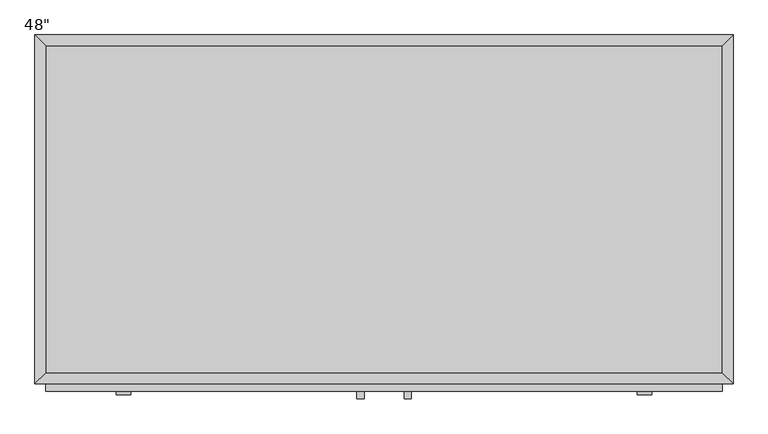
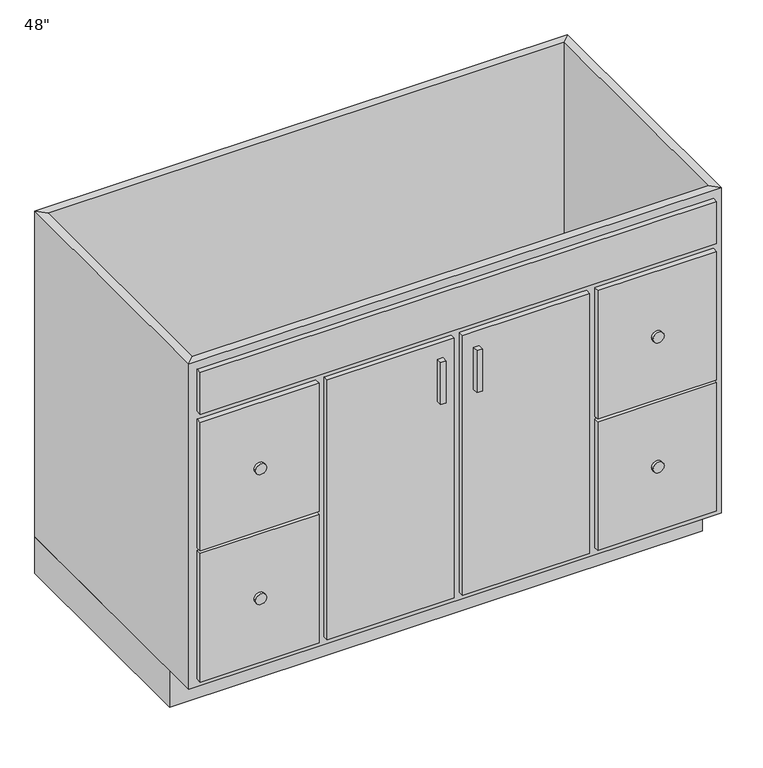
"""IFC4 building model written with IfcOpenShell, lengths in millimetres: furniture geometry."""

import ifcopenshell
import ifcopenshell.guid

model = None  # the IFC model being written
_history = None  # IfcOwnerHistory: only IFC2X3 demands one
_inside = {}  # id of a spatial element -> (the spatial element, [elements in it])
_under = {}  # id of a project, library or spatial element -> (it, [spatial elements below it])
_declared = {}  # id of a project -> (the project, [libraries it declares])
_typed = {}  # id of a type object -> (the type object, [elements of that type])
_made_of = {}  # id of a material, layer set ... -> (it, [elements and type objects made of it])


def new_model(schema):
    """Start an empty IFC model of exactly this schema.

    Asked for "IFC4X3", IfcOpenShell would pick the latest addendum, in which some entities
    have other attributes; the version numbers below select the first issue.
    IFC2X3 requires an IfcOwnerHistory on every rooted entity: one is made here for all.
    """
    global model, _history
    if schema == "IFC4X3":
        model = ifcopenshell.file(schema_version=(4, 3, 0, 0))
    else:
        model = ifcopenshell.file(schema=schema)
    _inside.clear()
    _under.clear()
    _declared.clear()
    _typed.clear()
    _made_of.clear()
    _history = None
    if model.schema == "IFC2X3":
        org = make("IfcOrganization", Name="unknown")
        user = make(
            "IfcPersonAndOrganization",
            ThePerson=make("IfcPerson", FamilyName="unknown"),
            TheOrganization=org,
        )
        app = make(
            "IfcApplication",
            ApplicationDeveloper=org,
            Version="unknown",
            ApplicationFullName="unknown",
            ApplicationIdentifier="unknown",
        )
        _history = make(
            "IfcOwnerHistory",
            OwningUser=user,
            OwningApplication=app,
            ChangeAction="ADDED",
            CreationDate=0,
        )
    return model


def make(cls, **values):
    """One entity of the class cls with the attributes given. An attribute that is None is left unset."""
    return model.create_entity(
        cls, **{name: value for name, value in values.items() if value is not None}
    )


def rooted(cls, **values):
    """An entity with a GlobalId (a new one), such as an element, a storey or a relation."""
    return make(cls, GlobalId=ifcopenshell.guid.new(), OwnerHistory=_history, **values)


def si_unit(unit_type, name, prefix=None):
    """IfcSIUnit, for example si_unit("LENGTHUNIT", "METRE", prefix="MILLI")."""
    return make("IfcSIUnit", UnitType=unit_type, Prefix=prefix, Name=name)


def assignment(units):
    """IfcUnitAssignment: the units of a project."""
    return None if units is None else make("IfcUnitAssignment", Units=units)


def point(xyz):
    """IfcCartesianPoint."""
    return None if xyz is None else make("IfcCartesianPoint", Coordinates=xyz)


def direction(xyz):
    """IfcDirection."""
    return None if xyz is None else make("IfcDirection", DirectionRatios=xyz)


def frame(location, z_axis=None, x_axis=None):
    """IfcAxis2Placement3D, a coordinate frame: its origin and axes. An axis left out is left unset."""
    return make(
        "IfcAxis2Placement3D",
        Location=point(location),
        Axis=direction(z_axis),
        RefDirection=direction(x_axis),
    )


def frame_2d(location, x_axis=None):
    """IfcAxis2Placement2D, a coordinate frame in the plane: its origin and x axis."""
    return make(
        "IfcAxis2Placement2D", Location=point(location), RefDirection=direction(x_axis)
    )


def origin():
    """The frame at (0, 0, 0) with its axes left unset."""
    return frame((0.0, 0.0, 0.0))


def origin_with_axes():
    """The frame at (0, 0, 0) with the z axis (0, 0, 1) and the x axis (1, 0, 0) written out."""
    return frame((0.0, 0.0, 0.0), z_axis=(0.0, 0.0, 1.0), x_axis=(1.0, 0.0, 0.0))


def place(relative_to, where):
    """IfcLocalPlacement: puts the frame where relative to a parent placement (None: the world)."""
    return make(
        "IfcLocalPlacement", PlacementRelTo=relative_to, RelativePlacement=where
    )


def context(
    kind, dimensions, precision=None, world=None, true_north=None, identifier=None
):
    """IfcGeometricRepresentationContext, for example the 3D "Model" context."""
    return make(
        "IfcGeometricRepresentationContext",
        ContextIdentifier=identifier,
        ContextType=kind,
        CoordinateSpaceDimension=dimensions,
        Precision=precision,
        WorldCoordinateSystem=world,
        TrueNorth=true_north,
    )


def project(units=None, contexts=None):
    """IfcProject with its units and contexts."""
    return rooted(
        "IfcProject",
        Name="project",
        RepresentationContexts=contexts,
        UnitsInContext=assignment(units),
    )


def spatial(cls, under=None, at=None, **own):
    """A site, building, storey or space (cls), placed at a placement, below another one or the project."""
    s = rooted(cls, ObjectPlacement=at, **own)
    if under is not None:
        _under.setdefault(under.id(), (under, []))[1].append(s)
    return s


def polyline(points):
    """IfcPolyline through the points."""
    return make("IfcPolyline", Points=[point(p) for p in points])


def circle_curve(where, radius):
    """IfcCircle in the frame where."""
    return make("IfcCircle", Position=where, Radius=radius)


def trimmed(basis, trim1, trim2, sense, master):
    """IfcTrimmedCurve: the piece of a basis curve between two trims."""
    return make(
        "IfcTrimmedCurve",
        BasisCurve=basis,
        Trim1=trim1,
        Trim2=trim2,
        SenseAgreement=sense,
        MasterRepresentation=master,
    )


def segment(curve, same_sense, transition):
    """IfcCompositeCurveSegment."""
    return make(
        "IfcCompositeCurveSegment",
        Transition=transition,
        SameSense=same_sense,
        ParentCurve=curve,
    )


def composite_curve(segments, self_intersect=None):
    """IfcCompositeCurve: segments joined end to end."""
    return make("IfcCompositeCurve", Segments=segments, SelfIntersect=self_intersect)


def outline(outer, holes=None, kind="AREA"):
    """IfcArbitraryClosedProfileDef: a profile drawn as a closed curve; with holes, ...WithVoids."""
    if holes is None:
        return make("IfcArbitraryClosedProfileDef", ProfileType=kind, OuterCurve=outer)
    return make(
        "IfcArbitraryProfileDefWithVoids",
        ProfileType=kind,
        OuterCurve=outer,
        InnerCurves=holes,
    )


def extrude(swept, where, along, depth):
    """IfcExtrudedAreaSolid: the profile swept, set in the frame where, extruded along a direction by depth."""
    return make(
        "IfcExtrudedAreaSolid",
        SweptArea=swept,
        Position=where,
        ExtrudedDirection=direction(along),
        Depth=depth,
    )


def faces_of(points, faces, orient=None, outer=None):
    """IfcFace entities. A face is a list of loops; a loop is a list of indices into points, from 0.

    orient and outer hold one flag for each loop. By default every Orientation is true, the
    first loop of a face is its IfcFaceOuterBound and the others are IfcFaceBound.
    """
    made = []
    for i, loops in enumerate(faces):
        bounds = []
        for j, loop in enumerate(loops):
            is_outer = j == 0 if outer is None else outer[i][j]
            bounds.append(
                make(
                    "IfcFaceOuterBound" if is_outer else "IfcFaceBound",
                    Bound=make("IfcPolyLoop", Polygon=[points[k] for k in loop]),
                    Orientation=True if orient is None else orient[i][j],
                )
            )
        made.append(make("IfcFace", Bounds=bounds))
    return made


def faceted_brep(points, faces, orient=None, outer=None, voids=None):
    """IfcFacetedBrep: a solid bounded by flat faces; with voids (closed shells), ...WithVoids."""
    shared = [point(p) for p in points]
    hull = make("IfcClosedShell", CfsFaces=faces_of(shared, faces, orient, outer))
    if voids is None:
        return make("IfcFacetedBrep", Outer=hull)
    return make(
        "IfcFacetedBrepWithVoids",
        Outer=hull,
        Voids=[
            make(cls, CfsFaces=faces_of(shared, fs, o, b)) for cls, fs, o, b in voids
        ],
    )


def shape(context_of_items, identifier, shape_type, items):
    """IfcShapeRepresentation: the items that make up one representation, for example the "Body"."""
    return make(
        "IfcShapeRepresentation",
        ContextOfItems=context_of_items,
        RepresentationIdentifier=identifier,
        RepresentationType=shape_type,
        Items=items,
    )


def source(mapping_origin, context_of_items, identifier, shape_type, items):
    """IfcRepresentationMap: a shape defined once, which mapped items show again and again."""
    return make(
        "IfcRepresentationMap",
        MappingOrigin=mapping_origin,
        MappedRepresentation=shape(context_of_items, identifier, shape_type, items),
    )


def transform(
    local_origin,
    x_axis=None,
    y_axis=None,
    z_axis=None,
    scale=None,
    scale2=None,
    scale3=None,
    uniform=True,
):
    """IfcCartesianTransformationOperator3D, or its non-uniform kind. x_axis, y_axis, z_axis: its Axis1, 2, 3."""
    if uniform:
        return make(
            "IfcCartesianTransformationOperator3D",
            Axis1=direction(x_axis),
            Axis2=direction(y_axis),
            LocalOrigin=point(local_origin),
            Scale=scale,
            Axis3=direction(z_axis),
        )
    return make(
        "IfcCartesianTransformationOperator3DnonUniform",
        Axis1=direction(x_axis),
        Axis2=direction(y_axis),
        LocalOrigin=point(local_origin),
        Scale=scale,
        Axis3=direction(z_axis),
        Scale2=scale2,
        Scale3=scale3,
    )


def mapped(mapping_source, mapping_target):
    """IfcMappedItem: shows the shape of a source again, moved by a transform."""
    return make(
        "IfcMappedItem", MappingSource=mapping_source, MappingTarget=mapping_target
    )


def made_of(thing, what):
    """Note that an element or type object is made of a material, layer set ...; save() writes the relation."""
    if what is not None:
        _made_of.setdefault(what.id(), (what, []))[1].append(thing)
    return thing


def element(
    cls,
    number,
    at=None,
    inside=None,
    cuts=None,
    type_object=None,
    material=None,
    context=None,
    identifier="Body",
    shape_type=None,
    held_by="IfcProductDefinitionShape",
    body=None,
    shapes=None,
    **own,
):
    """One element of the class cls, such as IfcWall. Its Tag is "e" and its number.

    at: its placement. inside: the storey or other place that contains it. cuts: it is an
    opening in that element (IfcRelVoidsElement). A single representation is given by context,
    identifier, shape_type and body (its items); several are given by shapes. held_by: the class
    of the entity that holds the representations. save() writes the other relations.
    """
    e = rooted(cls, Tag="e%d" % number, ObjectPlacement=at, **own)
    if body is not None:
        shapes = [shape(context, identifier, shape_type, body)]
    if shapes is not None:
        e.Representation = make(held_by, Representations=shapes)
    if inside is not None:
        _inside.setdefault(inside.id(), (inside, []))[1].append(e)
    if cuts is not None:
        rooted(
            "IfcRelVoidsElement", RelatingBuildingElement=cuts, RelatedOpeningElement=e
        )
    if type_object is not None:
        _typed.setdefault(type_object.id(), (type_object, []))[1].append(e)
    return made_of(e, material)


def aggregate(whole, parts):
    """IfcRelAggregates: a whole, such as a stair, and the parts it consists of."""
    return rooted("IfcRelAggregates", RelatingObject=whole, RelatedObjects=parts)


def save(model, path):
    """Write the relations noted so far, then the file.

    IfcRelAggregates (storeys below a building ...), IfcRelContainedInSpatialStructure (elements
    in a storey), IfcRelDefinesByType, IfcRelAssociatesMaterial and IfcRelDeclares: one each for
    every whole, place, type object, material and project.
    """
    for whole, parts in _under.values():
        aggregate(whole, parts)
    for where, things in _inside.values():
        rooted(
            "IfcRelContainedInSpatialStructure",
            RelatedElements=things,
            RelatingStructure=where,
        )
    for kind, things in _typed.values():
        rooted("IfcRelDefinesByType", RelatedObjects=things, RelatingType=kind)
    for what, things in _made_of.values():
        rooted("IfcRelAssociatesMaterial", RelatedObjects=things, RelatingMaterial=what)
    for by, libraries in _declared.values():
        rooted("IfcRelDeclares", RelatingContext=by, RelatedDefinitions=libraries)
    model.write(path)


def furniture_b041c736(model_context):
    return source(origin(), model_context, "Body", "SolidModel", [
        extrude(outline(polyline([(55.91996, -635.0), (43.21996, -635.0), (43.21996, -622.3), (55.91996, -622.3), (55.91996, -635.0)])), frame((0.0, 0.0, 596.9), z_axis=(0.0, 0.0, 1.0), x_axis=(1.0, 0.0, 0.0)), (0.0, 0.0, 1.0), 101.6),
        extrude(outline(polyline([(138.46996, -635.0), (125.76996, -635.0), (125.76996, -622.3), (138.46996, -622.3), (138.46996, -635.0)])), frame((0.0, 0.0, 596.9), z_axis=(0.0, 0.0, 1.0), x_axis=(1.0, 0.0, 0.0)), (0.0, 0.0, 1.0), 101.6),
        extrude(outline(composite_curve([segment(trimmed(circle_curve(frame_2d((579.4375, -363.97379)), 12.7), [point((579.4375, -376.67379))], [point((579.4375, -351.27379))], False, "CARTESIAN"), True, "CONTINUOUS"), segment(trimmed(circle_curve(frame_2d((579.4375, -363.97379)), 12.7), [point((579.4375, -351.27379))], [point((579.4375, -376.67379))], False, "CARTESIAN"), True, "CONTINUOUS")], self_intersect=False)), frame((0.0, -628.65, 0.0), z_axis=(0.0, 1.0, 0.0), x_axis=(0.0, 0.0, 1.0)), (0.0, 0.0, 1.0), 6.35),
        extrude(outline(composite_curve([segment(trimmed(circle_curve(frame_2d((265.1125, -363.97379)), 12.7), [point((265.1125, -376.67379))], [point((265.1125, -351.27379))], False, "CARTESIAN"), True, "CONTINUOUS"), segment(trimmed(circle_curve(frame_2d((265.1125, -363.97379)), 12.7), [point((265.1125, -351.27379))], [point((265.1125, -376.67379))], False, "CARTESIAN"), True, "CONTINUOUS")], self_intersect=False)), frame((0.0, -628.65, 0.0), z_axis=(0.0, 1.0, 0.0), x_axis=(0.0, 0.0, 1.0)), (0.0, 0.0, 1.0), 6.35),
        extrude(outline(composite_curve([segment(trimmed(circle_curve(frame_2d((265.1125, 545.66371)), 12.7), [point((265.1125, 532.96371))], [point((265.1125, 558.36371))], False, "CARTESIAN"), True, "CONTINUOUS"), segment(trimmed(circle_curve(frame_2d((265.1125, 545.66371)), 12.7), [point((265.1125, 558.36371))], [point((265.1125, 532.96371))], False, "CARTESIAN"), True, "CONTINUOUS")], self_intersect=False)), frame((0.0, -628.65, 0.0), z_axis=(0.0, 1.0, 0.0), x_axis=(0.0, 0.0, 1.0)), (0.0, 0.0, 1.0), 6.35),
        extrude(outline(composite_curve([segment(trimmed(circle_curve(frame_2d((579.4375, 545.66371)), 12.7), [point((579.4375, 532.96371))], [point((579.4375, 558.36371))], False, "CARTESIAN"), True, "CONTINUOUS"), segment(trimmed(circle_curve(frame_2d((579.4375, 545.66371)), 12.7), [point((579.4375, 558.36371))], [point((579.4375, 532.96371))], False, "CARTESIAN"), True, "CONTINUOUS")], self_intersect=False)), frame((0.0, -628.65, 0.0), z_axis=(0.0, 1.0, 0.0), x_axis=(0.0, 0.0, 1.0)), (0.0, 0.0, 1.0), 6.35),
        extrude(outline(polyline([(681.39496, -19.05), (681.39496, -590.55), (-499.70504, -590.55), (-499.70504, -19.05), (681.39496, -19.05)])), frame((0.0, 0.0, 88.9), z_axis=(0.0, 0.0, 1.0), x_axis=(1.0, 0.0, 0.0)), (0.0, 0.0, 1.0), 19.05),
        faceted_brep([(681.39496, -590.55, 876.3), (681.39496, -590.55, 88.9), (-499.70504, -590.55, 88.9), (-499.70504, -590.55, 876.3), (700.44496, -609.6, 876.3), (-518.75504, -609.6, 876.3), (700.44496, -609.6, 88.9), (-518.75504, -609.6, 88.9), (-499.70504, -19.05, 88.9), (-499.70504, -19.05, 876.3), (-518.75504, 0.0, 876.3), (-518.75504, 0.0, 88.9), (681.39496, -19.05, 88.9), (681.39496, -19.05, 876.3), (700.44496, 0.0, 876.3), (700.44496, 0.0, 88.9)], [[[0, 1, 2, 3]], [[4, 0, 3, 5]], [[6, 4, 5, 7]], [[1, 6, 7, 2]], [[3, 2, 8, 9]], [[5, 3, 9, 10]], [[7, 5, 10, 11]], [[2, 7, 11, 8]], [[9, 8, 12, 13]], [[10, 9, 13, 14]], [[11, 10, 14, 15]], [[8, 11, 15, 12]], [[13, 12, 1, 0]], [[14, 13, 0, 4]], [[15, 14, 4, 6]], [[12, 15, 6, 1]]]),
        extrude(outline(polyline([(700.44496, 0.0), (700.44496, -533.4), (-518.75504, -533.4), (-518.75504, 0.0), (700.44496, 0.0)])), origin_with_axes(), (0.0, 0.0, 1.0), 88.9),
        extrude(outline(polyline([(681.39496, -622.3), (-499.70504, -622.3), (-499.70504, -609.6), (681.39496, -609.6), (681.39496, -622.3)])), frame((0.0, 0.0, 755.65), z_axis=(0.0, 0.0, 1.0), x_axis=(1.0, 0.0, 0.0)), (0.0, 0.0, 1.0), 101.6),
        extrude(outline(polyline([(681.39496, -622.3), (409.93246, -622.3), (409.93246, -609.6), (681.39496, -609.6), (681.39496, -622.3)])), frame((0.0, 0.0, 425.45), z_axis=(0.0, 0.0, 1.0), x_axis=(1.0, 0.0, 0.0)), (0.0, 0.0, 1.0), 311.15),
        extrude(outline(polyline([(681.39496, -622.3), (409.93246, -622.3), (409.93246, -609.6), (681.39496, -609.6), (681.39496, -622.3)])), frame((0.0, 0.0, 107.95), z_axis=(0.0, 0.0, 1.0), x_axis=(1.0, 0.0, 0.0)), (0.0, 0.0, 1.0), 311.15),
        extrude(outline(polyline([(-228.24254, -622.3), (-499.70504, -622.3), (-499.70504, -609.6), (-228.24254, -609.6), (-228.24254, -622.3)])), frame((0.0, 0.0, 425.45), z_axis=(0.0, 0.0, 1.0), x_axis=(1.0, 0.0, 0.0)), (0.0, 0.0, 1.0), 311.15),
        extrude(outline(polyline([(-228.24254, -622.3), (-499.70504, -622.3), (-499.70504, -609.6), (-228.24254, -609.6), (-228.24254, -622.3)])), frame((0.0, 0.0, 107.95), z_axis=(0.0, 0.0, 1.0), x_axis=(1.0, 0.0, 0.0)), (0.0, 0.0, 1.0), 311.15),
        extrude(outline(polyline([(81.31996, -622.3), (-209.19254, -622.3), (-209.19254, -609.6), (81.31996, -609.6), (81.31996, -622.3)])), frame((0.0, 0.0, 107.95), z_axis=(0.0, 0.0, 1.0), x_axis=(1.0, 0.0, 0.0)), (0.0, 0.0, 1.0), 628.65),
        extrude(outline(polyline([(390.88246, -622.3), (100.36996, -622.3), (100.36996, -609.6), (390.88246, -609.6), (390.88246, -622.3)])), frame((0.0, 0.0, 107.95), z_axis=(0.0, 0.0, 1.0), x_axis=(1.0, 0.0, 0.0)), (0.0, 0.0, 1.0), 628.65),
    ])


if __name__ == "__main__":
    model = new_model("IFC4")
    model_context = context("Model", 3, world=origin())
    ifc_project = project(units=[si_unit("LENGTHUNIT", "METRE", prefix="MILLI")], contexts=[model_context])
    site = spatial("IfcSite", under=ifc_project)
    building = spatial("IfcBuilding", under=site)
    placement = place(None, origin())
    furniture_shape = furniture_b041c736(model_context)
    element("IfcFurniture", 1, ObjectType="48\"", at=placement, inside=building, context=model_context, shape_type="MappedRepresentation", body=[
        mapped(furniture_shape, transform((0.0, 0.0, 0.0), x_axis=(1.0, 0.0, 0.0), y_axis=(0.0, 1.0, 0.0), z_axis=(0.0, 0.0, 1.0))),
    ])
    save(model, "model.ifc")
